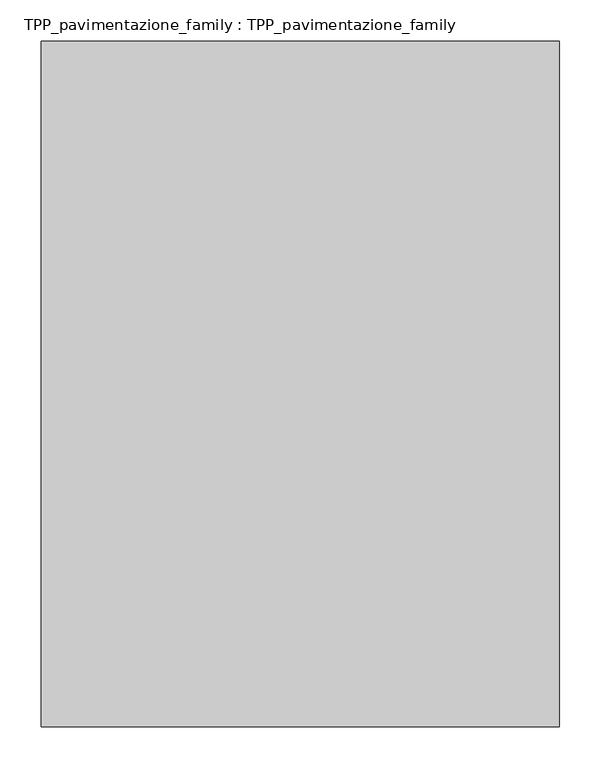
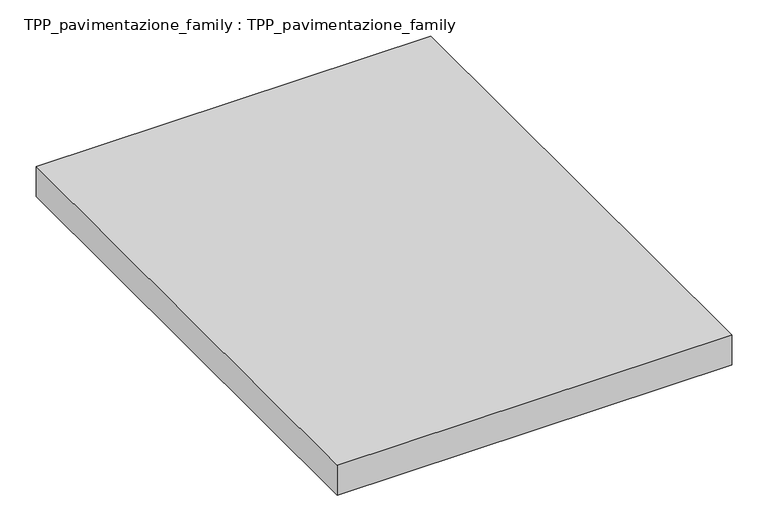
"""IFC4 building model written with IfcOpenShell, lengths in millimetres: proxy geometry, TPP_pavimentazione_family : TPP_pavimentazione_family."""

from ifc_helpers import new_model, si_unit, origin, origin_with_axes, place, context, project, spatial, polyline, outline, extrude, source, transform, mapped, element, save


def tpp_pavimentazione_family_tpp_pavimentazione_family_abfa76cb(model_context):
    return source(origin(), model_context, "Body", "SweptSolid", [
        extrude(outline(polyline([(511.8146187, 354.2201026), (511.8146187, -473.3866733), (-114.3169029, -473.3866733), (-114.3169029, 354.2201026), (511.8146187, 354.2201026)])), origin_with_axes(), (0.0, 0.0, 1.0), 50.0),
    ])


if __name__ == "__main__":
    model = new_model("IFC4")
    model_context = context("Model", 3, world=origin())
    ifc_project = project(units=[si_unit("LENGTHUNIT", "METRE", prefix="MILLI")], contexts=[model_context])
    site = spatial("IfcSite", under=ifc_project)
    building = spatial("IfcBuilding", under=site)
    placement = place(None, origin())
    tpp_pavimentazione_family_tpp_pavimentazione_family_shape = tpp_pavimentazione_family_tpp_pavimentazione_family_abfa76cb(model_context)
    element("IfcBuildingElementProxy", 1, Name="TPP_pavimentazione_family : TPP_pavimentazione_family", ObjectType="TPP_pavimentazione_family : TPP_pavimentazione_family", at=placement, inside=building, context=model_context, shape_type="MappedRepresentation", body=[
        mapped(tpp_pavimentazione_family_tpp_pavimentazione_family_shape, transform((0.0, 0.0, 0.0), x_axis=(1.0, 0.0, 0.0), y_axis=(0.0, 1.0, 0.0), z_axis=(0.0, 0.0, 1.0))),
    ])
    save(model, "model.ifc")
